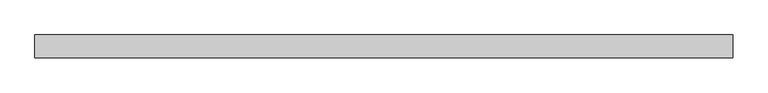
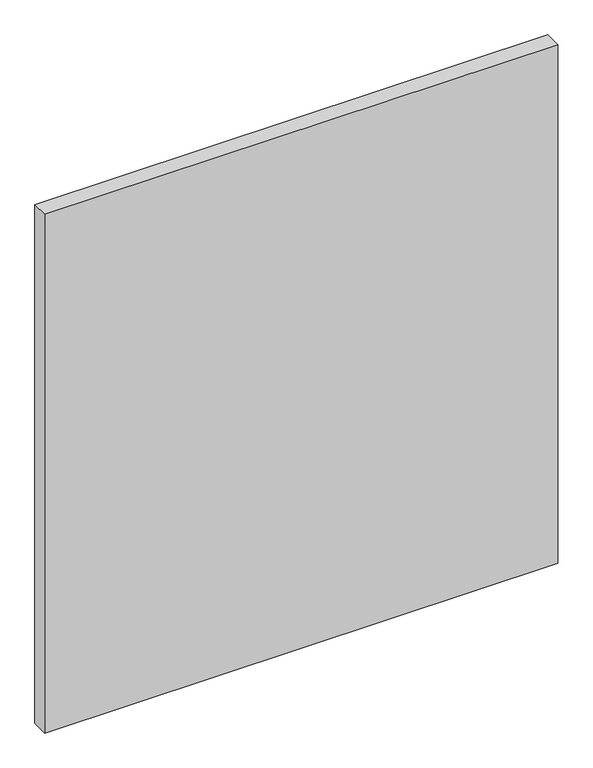
"""IFC4 building model written with IfcOpenShell, lengths in millimetres: plate geometry."""

from ifc_helpers import new_model, si_unit, origin, origin_with_axes, place, context, project, spatial, polyline, outline, extrude, source, transform, mapped, element, save


def plate_820dde6a(model_context):
    return source(origin(), model_context, "Body", "SweptSolid", [
        extrude(outline(polyline([(535.0625, -17.5), (-535.0625, -17.5), (-535.0625, 17.5), (535.0625, 17.5), (535.0625, -17.5)])), origin_with_axes(), (0.0, 0.0, 1.0), 1143.8125),
    ])


if __name__ == "__main__":
    model = new_model("IFC4")
    model_context = context("Model", 3, world=origin())
    ifc_project = project(units=[si_unit("LENGTHUNIT", "METRE", prefix="MILLI")], contexts=[model_context])
    site = spatial("IfcSite", under=ifc_project)
    building = spatial("IfcBuilding", under=site)
    placement = place(None, origin())
    plate_shape = plate_820dde6a(model_context)
    element("IfcPlate", 1, at=placement, inside=building, context=model_context, shape_type="MappedRepresentation", body=[
        mapped(plate_shape, transform((0.0, 0.0, 0.0), x_axis=(1.0, 0.0, 0.0), y_axis=(0.0, 1.0, 0.0), z_axis=(0.0, 0.0, 1.0))),
    ])
    save(model, "model.ifc")
